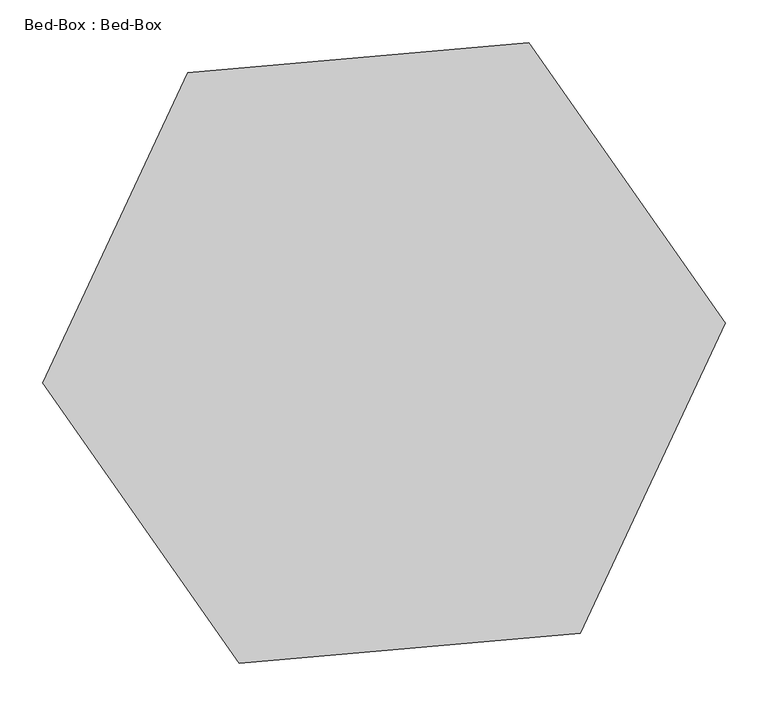
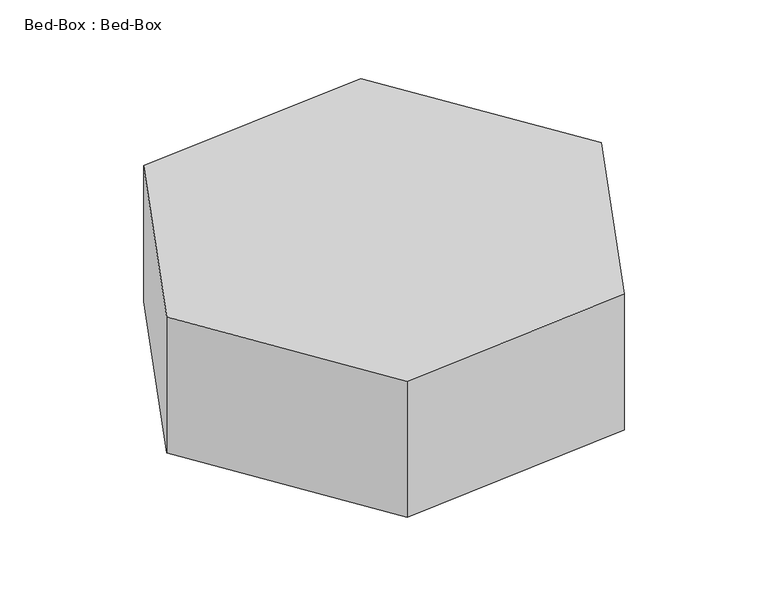
"""IFC4 building model written with IfcOpenShell, lengths in millimetres: proxy geometry, Bed-Box : Bed-Box."""

import ifcopenshell
import ifcopenshell.guid

model = None  # the IFC model being written
_history = None  # IfcOwnerHistory: only IFC2X3 demands one
_inside = {}  # id of a spatial element -> (the spatial element, [elements in it])
_under = {}  # id of a project, library or spatial element -> (it, [spatial elements below it])
_declared = {}  # id of a project -> (the project, [libraries it declares])
_typed = {}  # id of a type object -> (the type object, [elements of that type])
_made_of = {}  # id of a material, layer set ... -> (it, [elements and type objects made of it])


def new_model(schema):
    """Start an empty IFC model of exactly this schema.

    Asked for "IFC4X3", IfcOpenShell would pick the latest addendum, in which some entities
    have other attributes; the version numbers below select the first issue.
    IFC2X3 requires an IfcOwnerHistory on every rooted entity: one is made here for all.
    """
    global model, _history
    if schema == "IFC4X3":
        model = ifcopenshell.file(schema_version=(4, 3, 0, 0))
    else:
        model = ifcopenshell.file(schema=schema)
    _inside.clear()
    _under.clear()
    _declared.clear()
    _typed.clear()
    _made_of.clear()
    _history = None
    if model.schema == "IFC2X3":
        org = make("IfcOrganization", Name="unknown")
        user = make(
            "IfcPersonAndOrganization",
            ThePerson=make("IfcPerson", FamilyName="unknown"),
            TheOrganization=org,
        )
        app = make(
            "IfcApplication",
            ApplicationDeveloper=org,
            Version="unknown",
            ApplicationFullName="unknown",
            ApplicationIdentifier="unknown",
        )
        _history = make(
            "IfcOwnerHistory",
            OwningUser=user,
            OwningApplication=app,
            ChangeAction="ADDED",
            CreationDate=0,
        )
    return model


def make(cls, **values):
    """One entity of the class cls with the attributes given. An attribute that is None is left unset."""
    return model.create_entity(
        cls, **{name: value for name, value in values.items() if value is not None}
    )


def rooted(cls, **values):
    """An entity with a GlobalId (a new one), such as an element, a storey or a relation."""
    return make(cls, GlobalId=ifcopenshell.guid.new(), OwnerHistory=_history, **values)


def si_unit(unit_type, name, prefix=None):
    """IfcSIUnit, for example si_unit("LENGTHUNIT", "METRE", prefix="MILLI")."""
    return make("IfcSIUnit", UnitType=unit_type, Prefix=prefix, Name=name)


def assignment(units):
    """IfcUnitAssignment: the units of a project."""
    return None if units is None else make("IfcUnitAssignment", Units=units)


def point(xyz):
    """IfcCartesianPoint."""
    return None if xyz is None else make("IfcCartesianPoint", Coordinates=xyz)


def direction(xyz):
    """IfcDirection."""
    return None if xyz is None else make("IfcDirection", DirectionRatios=xyz)


def frame(location, z_axis=None, x_axis=None):
    """IfcAxis2Placement3D, a coordinate frame: its origin and axes. An axis left out is left unset."""
    return make(
        "IfcAxis2Placement3D",
        Location=point(location),
        Axis=direction(z_axis),
        RefDirection=direction(x_axis),
    )


def origin():
    """The frame at (0, 0, 0) with its axes left unset."""
    return frame((0.0, 0.0, 0.0))


def origin_with_axes():
    """The frame at (0, 0, 0) with the z axis (0, 0, 1) and the x axis (1, 0, 0) written out."""
    return frame((0.0, 0.0, 0.0), z_axis=(0.0, 0.0, 1.0), x_axis=(1.0, 0.0, 0.0))


def place(relative_to, where):
    """IfcLocalPlacement: puts the frame where relative to a parent placement (None: the world)."""
    return make(
        "IfcLocalPlacement", PlacementRelTo=relative_to, RelativePlacement=where
    )


def context(
    kind, dimensions, precision=None, world=None, true_north=None, identifier=None
):
    """IfcGeometricRepresentationContext, for example the 3D "Model" context."""
    return make(
        "IfcGeometricRepresentationContext",
        ContextIdentifier=identifier,
        ContextType=kind,
        CoordinateSpaceDimension=dimensions,
        Precision=precision,
        WorldCoordinateSystem=world,
        TrueNorth=true_north,
    )


def project(units=None, contexts=None):
    """IfcProject with its units and contexts."""
    return rooted(
        "IfcProject",
        Name="project",
        RepresentationContexts=contexts,
        UnitsInContext=assignment(units),
    )


def spatial(cls, under=None, at=None, **own):
    """A site, building, storey or space (cls), placed at a placement, below another one or the project."""
    s = rooted(cls, ObjectPlacement=at, **own)
    if under is not None:
        _under.setdefault(under.id(), (under, []))[1].append(s)
    return s


def polyline(points):
    """IfcPolyline through the points."""
    return make("IfcPolyline", Points=[point(p) for p in points])


def outline(outer, holes=None, kind="AREA"):
    """IfcArbitraryClosedProfileDef: a profile drawn as a closed curve; with holes, ...WithVoids."""
    if holes is None:
        return make("IfcArbitraryClosedProfileDef", ProfileType=kind, OuterCurve=outer)
    return make(
        "IfcArbitraryProfileDefWithVoids",
        ProfileType=kind,
        OuterCurve=outer,
        InnerCurves=holes,
    )


def extrude(swept, where, along, depth):
    """IfcExtrudedAreaSolid: the profile swept, set in the frame where, extruded along a direction by depth."""
    return make(
        "IfcExtrudedAreaSolid",
        SweptArea=swept,
        Position=where,
        ExtrudedDirection=direction(along),
        Depth=depth,
    )


def shape(context_of_items, identifier, shape_type, items):
    """IfcShapeRepresentation: the items that make up one representation, for example the "Body"."""
    return make(
        "IfcShapeRepresentation",
        ContextOfItems=context_of_items,
        RepresentationIdentifier=identifier,
        RepresentationType=shape_type,
        Items=items,
    )


def source(mapping_origin, context_of_items, identifier, shape_type, items):
    """IfcRepresentationMap: a shape defined once, which mapped items show again and again."""
    return make(
        "IfcRepresentationMap",
        MappingOrigin=mapping_origin,
        MappedRepresentation=shape(context_of_items, identifier, shape_type, items),
    )


def transform(
    local_origin,
    x_axis=None,
    y_axis=None,
    z_axis=None,
    scale=None,
    scale2=None,
    scale3=None,
    uniform=True,
):
    """IfcCartesianTransformationOperator3D, or its non-uniform kind. x_axis, y_axis, z_axis: its Axis1, 2, 3."""
    if uniform:
        return make(
            "IfcCartesianTransformationOperator3D",
            Axis1=direction(x_axis),
            Axis2=direction(y_axis),
            LocalOrigin=point(local_origin),
            Scale=scale,
            Axis3=direction(z_axis),
        )
    return make(
        "IfcCartesianTransformationOperator3DnonUniform",
        Axis1=direction(x_axis),
        Axis2=direction(y_axis),
        LocalOrigin=point(local_origin),
        Scale=scale,
        Axis3=direction(z_axis),
        Scale2=scale2,
        Scale3=scale3,
    )


def mapped(mapping_source, mapping_target):
    """IfcMappedItem: shows the shape of a source again, moved by a transform."""
    return make(
        "IfcMappedItem", MappingSource=mapping_source, MappingTarget=mapping_target
    )


def made_of(thing, what):
    """Note that an element or type object is made of a material, layer set ...; save() writes the relation."""
    if what is not None:
        _made_of.setdefault(what.id(), (what, []))[1].append(thing)
    return thing


def element(
    cls,
    number,
    at=None,
    inside=None,
    cuts=None,
    type_object=None,
    material=None,
    context=None,
    identifier="Body",
    shape_type=None,
    held_by="IfcProductDefinitionShape",
    body=None,
    shapes=None,
    **own,
):
    """One element of the class cls, such as IfcWall. Its Tag is "e" and its number.

    at: its placement. inside: the storey or other place that contains it. cuts: it is an
    opening in that element (IfcRelVoidsElement). A single representation is given by context,
    identifier, shape_type and body (its items); several are given by shapes. held_by: the class
    of the entity that holds the representations. save() writes the other relations.
    """
    e = rooted(cls, Tag="e%d" % number, ObjectPlacement=at, **own)
    if body is not None:
        shapes = [shape(context, identifier, shape_type, body)]
    if shapes is not None:
        e.Representation = make(held_by, Representations=shapes)
    if inside is not None:
        _inside.setdefault(inside.id(), (inside, []))[1].append(e)
    if cuts is not None:
        rooted(
            "IfcRelVoidsElement", RelatingBuildingElement=cuts, RelatedOpeningElement=e
        )
    if type_object is not None:
        _typed.setdefault(type_object.id(), (type_object, []))[1].append(e)
    return made_of(e, material)


def aggregate(whole, parts):
    """IfcRelAggregates: a whole, such as a stair, and the parts it consists of."""
    return rooted("IfcRelAggregates", RelatingObject=whole, RelatedObjects=parts)


def save(model, path):
    """Write the relations noted so far, then the file.

    IfcRelAggregates (storeys below a building ...), IfcRelContainedInSpatialStructure (elements
    in a storey), IfcRelDefinesByType, IfcRelAssociatesMaterial and IfcRelDeclares: one each for
    every whole, place, type object, material and project.
    """
    for whole, parts in _under.values():
        aggregate(whole, parts)
    for where, things in _inside.values():
        rooted(
            "IfcRelContainedInSpatialStructure",
            RelatedElements=things,
            RelatingStructure=where,
        )
    for kind, things in _typed.values():
        rooted("IfcRelDefinesByType", RelatedObjects=things, RelatingType=kind)
    for what, things in _made_of.values():
        rooted("IfcRelAssociatesMaterial", RelatedObjects=things, RelatingMaterial=what)
    for by, libraries in _declared.values():
        rooted("IfcRelDeclares", RelatingContext=by, RelatedDefinitions=libraries)
    model.write(path)


def bed_box_bed_box_4d549825(model_context):
    return source(origin(), model_context, "Body", "SweptSolid", [
        extrude(outline(polyline([(229.4305745, -327.6608177), (-169.0473047, -362.5231148), (-398.4778792, -34.8622971), (-229.4305745, 327.6608177), (169.0473047, 362.5231148), (398.4778792, 34.8622971), (229.4305745, -327.6608177)])), origin_with_axes(), (0.0, 0.0, 1.0), 250.0),
    ])


if __name__ == "__main__":
    model = new_model("IFC4")
    model_context = context("Model", 3, world=origin())
    ifc_project = project(units=[si_unit("LENGTHUNIT", "METRE", prefix="MILLI")], contexts=[model_context])
    site = spatial("IfcSite", under=ifc_project)
    building = spatial("IfcBuilding", under=site)
    placement = place(None, origin())
    bed_box_bed_box_shape = bed_box_bed_box_4d549825(model_context)
    element("IfcBuildingElementProxy", 1, Name="Bed-Box : Bed-Box", ObjectType="Bed-Box : Bed-Box", at=placement, inside=building, context=model_context, shape_type="MappedRepresentation", body=[
        mapped(bed_box_bed_box_shape, transform((0.0, 0.0, 0.0), x_axis=(1.0, 0.0, 0.0), y_axis=(0.0, 1.0, 0.0), z_axis=(0.0, 0.0, 1.0))),
    ])
    save(model, "model.ifc")
